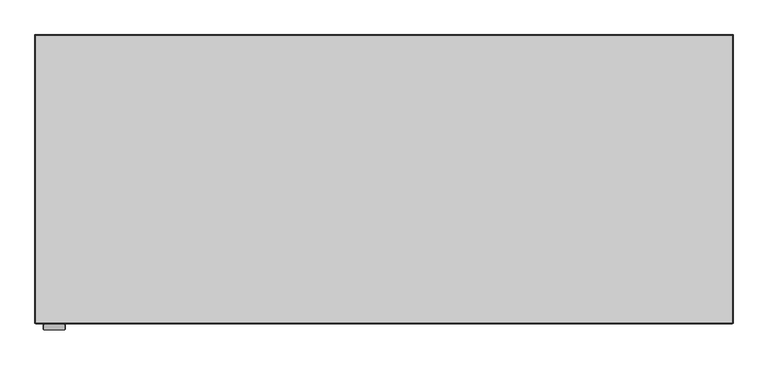
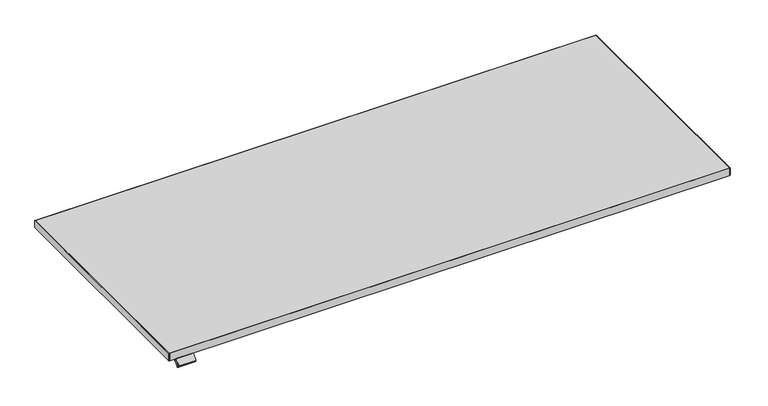
"""IFC4 building model written with IfcOpenShell, lengths in millimetres: furniture geometry."""

from ifc_helpers import new_model, si_unit, point, frame, frame_2d, origin, place, context, project, spatial, polyline, circle_curve, trimmed, segment, composite_curve, outline, extrude, faceted_brep, source, transform, mapped, element, save
from ifc_brep_helpers import plane_surface, cylinder_surface, advanced_brep


def furniture_0e0e5a21(model_context):
    return source(origin(), model_context, "Body", "SolidModel", [
        advanced_brep(
        [(-712.1377438, -419.5454312, 714.902), (-712.1377438, -451.6, 714.902), (-662.6377614, -451.6, 714.902), (-662.6377614, -419.5454312, 714.902), (-662.6377614, -419.5454312, 707.1581454), (-662.6377614, -446.6161373, 707.1581454), (-712.1377438, -446.6161373, 707.1581454), (-712.1377438, -419.5454312, 707.1581454), (-662.6377614, -451.6, 711.3662703), (-662.6377614, -449.1527665, 713.8135038), (-662.6377614, -444.5567727, 709.21751), (-712.1377438, -451.6, 711.3662703), (-712.1377438, -444.5567727, 709.21751), (-712.1377438, -449.1527665, 713.8135038), (-661.1885979, -449.1527665, 713.8135038), (-713.486, -449.1527665, 713.8135038), (-715.518, -450.5896075, 712.3766628), (-715.518, -464.8280905, 698.1381797), (-713.486, -466.2649315, 696.7013388), (-661.5656329, -466.2649315, 696.7013388), (-659.3357614, -464.6881742, 698.2780961), (-659.3357614, -450.4629198, 712.5033505), (-713.486, -444.5567727, 709.21751), (-661.1885979, -444.5567727, 709.21751), (-659.3357614, -445.866926, 707.9073567), (-659.3357614, -460.0921804, 693.6821023), (-661.5656329, -461.6689377, 692.105345), (-713.486, -461.6689377, 692.105345), (-715.518, -460.2320967, 693.542186), (-715.518, -445.9936137, 707.780669)],
        [
            (0, 1),
            (1, 2),
            (2, 3),
            (3, 0),
            (4, 5),
            (5, 6),
            (6, 7),
            (7, 4),
            (3, 4),
            (7, 0),
            (2, 8),
            (8, 9),
            (9, 10),
            (10, 5),
            (1, 11),
            (11, 8),
            (6, 12),
            (12, 13),
            (13, 11),
            (14, 9),
            (13, 15),
            (15, 16, circle_curve(frame((-713.486, -450.5896075, 712.3766628), z_axis=(0.0, -0.7071067811865493, 0.7071067811865457), x_axis=(0.0, -0.7071067811865457, -0.7071067811865493)), 2.032)),
            (16, 17),
            (17, 18, circle_curve(frame((-713.486, -464.8280905, 698.1381797), z_axis=(0.0, -0.7071067811865493, 0.7071067811865457), x_axis=(0.0, -0.7071067811865457, -0.7071067811865493)), 2.032)),
            (18, 19),
            (19, 20, circle_curve(frame((-661.5656329, -464.6881742, 698.2780961), z_axis=(0.0, -0.7071067811865493, 0.7071067811865457), x_axis=(0.0, -0.7071067811865457, -0.7071067811865493)), 2.2298716)),
            (20, 21),
            (21, 14, circle_curve(frame((-661.1885979, -450.4629198, 712.5033505), z_axis=(0.0, -0.7071067811865493, 0.7071067811865457), x_axis=(0.0, -0.7071067811865457, -0.7071067811865493)), 1.8528366)),
            (22, 12),
            (10, 23),
            (23, 24, circle_curve(frame((-661.1885979, -445.866926, 707.9073567), z_axis=(0.0, 0.7071067811865493, -0.7071067811865457), x_axis=(0.0, -0.7071067811865457, -0.7071067811865493)), 1.8528366)),
            (24, 25),
            (25, 26, circle_curve(frame((-661.5656329, -460.0921804, 693.6821023), z_axis=(0.0, 0.7071067811865493, -0.7071067811865457), x_axis=(0.0, -0.7071067811865457, -0.7071067811865493)), 2.2298716)),
            (26, 27),
            (27, 28, circle_curve(frame((-713.486, -460.2320967, 693.542186), z_axis=(0.0, 0.7071067811865493, -0.7071067811865457), x_axis=(0.0, -0.7071067811865457, -0.7071067811865493)), 2.032)),
            (28, 29),
            (29, 22, circle_curve(frame((-713.486, -445.9936137, 707.780669), z_axis=(0.0, 0.7071067811865493, -0.7071067811865457), x_axis=(0.0, -0.7071067811865457, -0.7071067811865493)), 2.032)),
            (22, 15),
            (14, 23),
            (21, 24),
            (20, 25),
            (19, 26),
            (18, 27),
            (17, 28),
            (16, 29),
        ],
        [
            plane_surface(frame((-662.6377614, -419.5454312, 714.902), z_axis=(0.0, 0.0, 1.0), x_axis=(1.0, 0.0, 0.0))),
            plane_surface(frame((-662.6377614, -419.5454312, 707.1581454), z_axis=(0.0, 0.0, -1.0), x_axis=(-1.0, 0.0, 0.0))),
            plane_surface(frame((-712.1377438, -419.5454312, 714.902), z_axis=(0.0, 1.0, 0.0), x_axis=(0.0, 0.0, -1.0))),
            plane_surface(frame((-662.6377614, -419.5454312, 714.902), z_axis=(1.0, 0.0, 0.0), x_axis=(0.0, 0.0, -1.0))),
            plane_surface(frame((-662.6377614, -451.6, 714.902), z_axis=(0.0, -1.0, 0.0), x_axis=(0.0, 0.0, -1.0))),
            plane_surface(frame((-712.1377438, -451.6, 714.902), z_axis=(-1.0, 0.0, 0.0), x_axis=(0.0, 0.0, -1.0))),
            plane_surface(frame((-661.1885979, -449.1527665, 713.8135038), z_axis=(0.0, -0.7071067811865493, 0.7071067811865457), x_axis=(1.0, 0.0, 0.0))),
            plane_surface(frame((-661.1885979, -444.5567727, 709.21751), z_axis=(0.0, 0.7071067811865493, -0.7071067811865457), x_axis=(-1.0, 0.0, 0.0))),
            plane_surface(frame((-713.486, -449.1527665, 713.8135038), z_axis=(0.0, 0.7071067811865476, 0.7071067811865476), x_axis=(0.0, 0.7071067811865476, -0.7071067811865476))),
            cylinder_surface(frame((-661.1885979, -445.866926, 707.9073567), z_axis=(0.0, -0.7071067811865493, 0.7071067811865457), x_axis=(0.0, -0.7071067811865457, -0.7071067811865493)), 1.8528366),
            plane_surface(frame((-659.3357614, -450.4629198, 712.5033505), z_axis=(1.0000000000000002, 0.0, 0.0), x_axis=(0.0, 0.7071067811865476, -0.7071067811865476))),
            cylinder_surface(frame((-661.5656329, -460.0921804, 693.6821023), z_axis=(0.0, -0.7071067811865493, 0.7071067811865457), x_axis=(0.0, -0.7071067811865457, -0.7071067811865493)), 2.2298716),
            plane_surface(frame((-661.5656329, -466.2649315, 696.7013388), z_axis=(0.0, -0.7071067811865476, -0.7071067811865476), x_axis=(0.0, 0.7071067811865476, -0.7071067811865476))),
            cylinder_surface(frame((-713.486, -460.2320967, 693.542186), z_axis=(0.0, -0.7071067811865493, 0.7071067811865457), x_axis=(0.0, -0.7071067811865457, -0.7071067811865493)), 2.032),
            plane_surface(frame((-715.518, -464.8280905, 698.1381797), z_axis=(-1.0, 0.0, 0.0), x_axis=(0.0, 0.7071067811865527, -0.7071067811865424))),
            cylinder_surface(frame((-713.486, -445.9936137, 707.780669), z_axis=(0.0, -0.7071067811865493, 0.7071067811865457), x_axis=(0.0, -0.7071067811865457, -0.7071067811865493)), 2.032),
        ],
        [
            (0, [[1, 2, 3, 4]]),
            (1, [[5, 6, 7, 8]]),
            (2, [[9, -8, 10, -4]]),
            (3, [[11, 12, 13, 14, -5, -9, -3]]),
            (4, [[15, 16, -11, -2]]),
            (5, [[-10, -7, 17, 18, 19, -15, -1]]),
            (6, [[20, -12, -16, -19, 21, 22, 23, 24, 25, 26, 27, 28]]),
            (7, [[29, -17, -6, -14, 30, 31, 32, 33, 34, 35, 36, 37]]),
            (8, [[-21, -18, -29, 38]]),
            (8, [[-30, -13, -20, 39]]),
            (9, [[40, -31, -39, -28]]),
            (10, [[41, -32, -40, -27]]),
            (11, [[42, -33, -41, -26]]),
            (12, [[43, -34, -42, -25]]),
            (13, [[44, -35, -43, -24]]),
            (14, [[45, -36, -44, -23]]),
            (15, [[-38, -37, -45, -22]]),
        ],
    ),
        extrude(outline(composite_curve([segment(polyline([(48.6765212, 0.0), (0.0, 0.0)]), True, "CONTINUOUS"), segment(trimmed(circle_curve(frame_2d((0.0, 2.8504615)), 2.8504615), [point((0.0, 0.0))], [point((-2.8504616, 2.8504615))], False, "CARTESIAN"), True, "CONTINUOUS"), segment(polyline([(-2.8504616, 2.8504615), (-2.8504616, 19.0283589)]), True, "CONTINUOUS"), segment(trimmed(circle_curve(frame_2d((-0.0003332, 19.0283589)), 2.8501284), [point((-2.8504616, 19.0283589))], [point((-0.0003332, 21.8784873))], False, "CARTESIAN"), True, "CONTINUOUS"), segment(polyline([(-0.0003332, 21.8784873), (48.7382411, 21.8784873)]), True, "CONTINUOUS"), segment(trimmed(circle_curve(frame_2d((48.7382411, 18.8922072)), 2.9862801), [point((48.7382411, 21.8784873))], [point((51.7245212, 18.8922072))], False, "CARTESIAN"), True, "CONTINUOUS"), segment(polyline([(51.7245212, 18.8922072), (51.7245212, 3.048)]), True, "CONTINUOUS"), segment(trimmed(circle_curve(frame_2d((48.6765212, 3.048)), 3.048), [point((51.7245212, 3.048))], [point((48.6765212, 0.0))], False, "CARTESIAN"), True, "CONTINUOUS")], self_intersect=False)), frame((-662.8979479, -443.782049, 706.7937033), z_axis=(0.0, -0.7071067811865493, 0.7071067811865457), x_axis=(-1.0, 0.0, 0.0)), (0.0, 0.0, 1.0), 11.2615577),
        extrude(outline(polyline([(-735.8379612, -450.0014375), (1040.637937, -450.0014375), (1039.0393744, -451.6), (-734.2393744, -451.6), (-735.8379612, -450.0014375)])), frame((0.0, 0.0, 714.902), z_axis=(0.0, 0.0, 1.0), x_axis=(1.0, 0.0, 0.0)), (0.0, 0.0, 1.0), 25.0),
        faceted_brep([(1039.0395821, -451.5997924, 714.902), (1039.5783794, -452.1386142, 715.6639919), (1039.5783794, -452.1386142, 739.1400081), (1039.0395821, -451.5997924, 739.902), (1041.3996132, -450.3174632, 739.1400081), (1041.3996132, -450.3174632, 715.6639919), (1041.3996132, 285.0003864, 715.6639919), (1041.3996132, 285.0003864, 739.1400081), (1040.6376214, -450.0018257, 714.902), (1040.6376214, -450.0018257, 739.902), (1040.6376214, 284.2383946, 739.902), (1040.6376214, 284.2383946, 714.902), (-736.6, 285.0003864, 715.6639919), (-736.6, 285.0003864, 739.1400081), (-735.8380081, 284.2383946, 739.902), (-735.8380081, 284.2383946, 714.902), (-734.2395821, -451.5997924, 714.902), (-734.2395821, -451.5997924, 739.902), (-734.7783876, -452.138606, 739.1400081), (-734.7783876, -452.138606, 715.6639919), (-736.6, -450.3170212, 715.6639919), (-736.6, -450.3170212, 739.1400081), (-735.8380081, -450.0013905, 739.902), (-735.8380081, -450.0013905, 714.902)], [[[0, 1, 2, 3]], [[4, 5, 6, 7]], [[8, 9, 10, 11]], [[7, 6, 12, 13]], [[11, 10, 14, 15]], [[16, 17, 18, 19]], [[13, 12, 20, 21]], [[15, 14, 22, 23]], [[5, 8, 11, 6]], [[9, 4, 7, 10]], [[6, 11, 15, 12]], [[10, 7, 13, 14]], [[12, 15, 23, 20]], [[14, 13, 21, 22]], [[1, 0, 8, 5]], [[2, 1, 5, 4]], [[3, 2, 4, 9]], [[0, 3, 9, 8]], [[20, 23, 16, 19]], [[21, 20, 19, 18]], [[22, 21, 18, 17]], [[23, 22, 17, 16]]]),
        extrude(outline(polyline([(1040.6376214, 284.2383946), (1040.6376214, -450.0014375), (-735.8380081, -450.0014375), (-735.8380081, 284.2383946), (1040.6376214, 284.2383946)])), frame((0.0, 0.0, 714.902), z_axis=(0.0, 0.0, 1.0), x_axis=(1.0, 0.0, 0.0)), (0.0, 0.0, 1.0), 25.0),
    ])


if __name__ == "__main__":
    model = new_model("IFC4")
    model_context = context("Model", 3, world=origin())
    ifc_project = project(units=[si_unit("LENGTHUNIT", "METRE", prefix="MILLI")], contexts=[model_context])
    site = spatial("IfcSite", under=ifc_project)
    building = spatial("IfcBuilding", under=site)
    placement = place(None, origin())
    furniture_shape = furniture_0e0e5a21(model_context)
    element("IfcFurniture", 1, at=placement, inside=building, context=model_context, shape_type="MappedRepresentation", body=[
        mapped(furniture_shape, transform((0.0, 0.0, 0.0), x_axis=(1.0, 0.0, 0.0), y_axis=(0.0, 1.0, 0.0), z_axis=(0.0, 0.0, 1.0))),
    ])
    save(model, "model.ifc")
